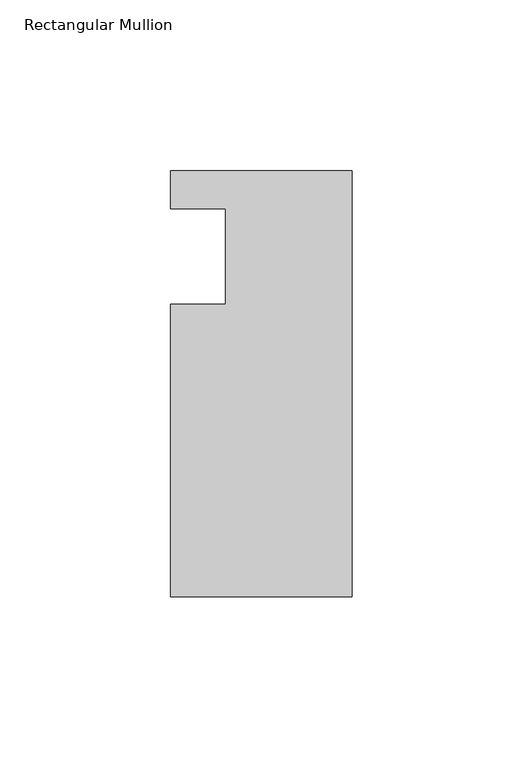
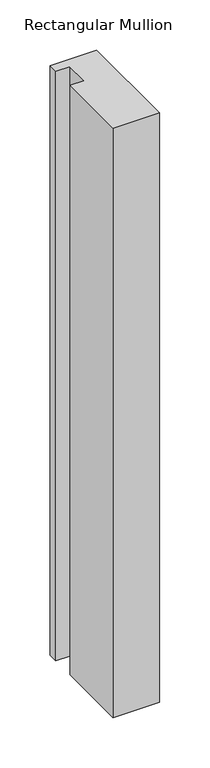
"""IFC4 building model written with IfcOpenShell, lengths in millimetres: member geometry, Rectangular Mullion."""

import ifcopenshell
import ifcopenshell.guid

model = None  # the IFC model being written
_history = None  # IfcOwnerHistory: only IFC2X3 demands one
_inside = {}  # id of a spatial element -> (the spatial element, [elements in it])
_under = {}  # id of a project, library or spatial element -> (it, [spatial elements below it])
_declared = {}  # id of a project -> (the project, [libraries it declares])
_typed = {}  # id of a type object -> (the type object, [elements of that type])
_made_of = {}  # id of a material, layer set ... -> (it, [elements and type objects made of it])


def new_model(schema):
    """Start an empty IFC model of exactly this schema.

    Asked for "IFC4X3", IfcOpenShell would pick the latest addendum, in which some entities
    have other attributes; the version numbers below select the first issue.
    IFC2X3 requires an IfcOwnerHistory on every rooted entity: one is made here for all.
    """
    global model, _history
    if schema == "IFC4X3":
        model = ifcopenshell.file(schema_version=(4, 3, 0, 0))
    else:
        model = ifcopenshell.file(schema=schema)
    _inside.clear()
    _under.clear()
    _declared.clear()
    _typed.clear()
    _made_of.clear()
    _history = None
    if model.schema == "IFC2X3":
        org = make("IfcOrganization", Name="unknown")
        user = make(
            "IfcPersonAndOrganization",
            ThePerson=make("IfcPerson", FamilyName="unknown"),
            TheOrganization=org,
        )
        app = make(
            "IfcApplication",
            ApplicationDeveloper=org,
            Version="unknown",
            ApplicationFullName="unknown",
            ApplicationIdentifier="unknown",
        )
        _history = make(
            "IfcOwnerHistory",
            OwningUser=user,
            OwningApplication=app,
            ChangeAction="ADDED",
            CreationDate=0,
        )
    return model


def make(cls, **values):
    """One entity of the class cls with the attributes given. An attribute that is None is left unset."""
    return model.create_entity(
        cls, **{name: value for name, value in values.items() if value is not None}
    )


def rooted(cls, **values):
    """An entity with a GlobalId (a new one), such as an element, a storey or a relation."""
    return make(cls, GlobalId=ifcopenshell.guid.new(), OwnerHistory=_history, **values)


def si_unit(unit_type, name, prefix=None):
    """IfcSIUnit, for example si_unit("LENGTHUNIT", "METRE", prefix="MILLI")."""
    return make("IfcSIUnit", UnitType=unit_type, Prefix=prefix, Name=name)


def assignment(units):
    """IfcUnitAssignment: the units of a project."""
    return None if units is None else make("IfcUnitAssignment", Units=units)


def point(xyz):
    """IfcCartesianPoint."""
    return None if xyz is None else make("IfcCartesianPoint", Coordinates=xyz)


def direction(xyz):
    """IfcDirection."""
    return None if xyz is None else make("IfcDirection", DirectionRatios=xyz)


def frame(location, z_axis=None, x_axis=None):
    """IfcAxis2Placement3D, a coordinate frame: its origin and axes. An axis left out is left unset."""
    return make(
        "IfcAxis2Placement3D",
        Location=point(location),
        Axis=direction(z_axis),
        RefDirection=direction(x_axis),
    )


def origin():
    """The frame at (0, 0, 0) with its axes left unset."""
    return frame((0.0, 0.0, 0.0))


def place(relative_to, where):
    """IfcLocalPlacement: puts the frame where relative to a parent placement (None: the world)."""
    return make(
        "IfcLocalPlacement", PlacementRelTo=relative_to, RelativePlacement=where
    )


def context(
    kind, dimensions, precision=None, world=None, true_north=None, identifier=None
):
    """IfcGeometricRepresentationContext, for example the 3D "Model" context."""
    return make(
        "IfcGeometricRepresentationContext",
        ContextIdentifier=identifier,
        ContextType=kind,
        CoordinateSpaceDimension=dimensions,
        Precision=precision,
        WorldCoordinateSystem=world,
        TrueNorth=true_north,
    )


def project(units=None, contexts=None):
    """IfcProject with its units and contexts."""
    return rooted(
        "IfcProject",
        Name="project",
        RepresentationContexts=contexts,
        UnitsInContext=assignment(units),
    )


def spatial(cls, under=None, at=None, **own):
    """A site, building, storey or space (cls), placed at a placement, below another one or the project."""
    s = rooted(cls, ObjectPlacement=at, **own)
    if under is not None:
        _under.setdefault(under.id(), (under, []))[1].append(s)
    return s


def polyline(points):
    """IfcPolyline through the points."""
    return make("IfcPolyline", Points=[point(p) for p in points])


def outline(outer, holes=None, kind="AREA"):
    """IfcArbitraryClosedProfileDef: a profile drawn as a closed curve; with holes, ...WithVoids."""
    if holes is None:
        return make("IfcArbitraryClosedProfileDef", ProfileType=kind, OuterCurve=outer)
    return make(
        "IfcArbitraryProfileDefWithVoids",
        ProfileType=kind,
        OuterCurve=outer,
        InnerCurves=holes,
    )


def extrude(swept, where, along, depth):
    """IfcExtrudedAreaSolid: the profile swept, set in the frame where, extruded along a direction by depth."""
    return make(
        "IfcExtrudedAreaSolid",
        SweptArea=swept,
        Position=where,
        ExtrudedDirection=direction(along),
        Depth=depth,
    )


def shape(context_of_items, identifier, shape_type, items):
    """IfcShapeRepresentation: the items that make up one representation, for example the "Body"."""
    return make(
        "IfcShapeRepresentation",
        ContextOfItems=context_of_items,
        RepresentationIdentifier=identifier,
        RepresentationType=shape_type,
        Items=items,
    )


def source(mapping_origin, context_of_items, identifier, shape_type, items):
    """IfcRepresentationMap: a shape defined once, which mapped items show again and again."""
    return make(
        "IfcRepresentationMap",
        MappingOrigin=mapping_origin,
        MappedRepresentation=shape(context_of_items, identifier, shape_type, items),
    )


def transform(
    local_origin,
    x_axis=None,
    y_axis=None,
    z_axis=None,
    scale=None,
    scale2=None,
    scale3=None,
    uniform=True,
):
    """IfcCartesianTransformationOperator3D, or its non-uniform kind. x_axis, y_axis, z_axis: its Axis1, 2, 3."""
    if uniform:
        return make(
            "IfcCartesianTransformationOperator3D",
            Axis1=direction(x_axis),
            Axis2=direction(y_axis),
            LocalOrigin=point(local_origin),
            Scale=scale,
            Axis3=direction(z_axis),
        )
    return make(
        "IfcCartesianTransformationOperator3DnonUniform",
        Axis1=direction(x_axis),
        Axis2=direction(y_axis),
        LocalOrigin=point(local_origin),
        Scale=scale,
        Axis3=direction(z_axis),
        Scale2=scale2,
        Scale3=scale3,
    )


def mapped(mapping_source, mapping_target):
    """IfcMappedItem: shows the shape of a source again, moved by a transform."""
    return make(
        "IfcMappedItem", MappingSource=mapping_source, MappingTarget=mapping_target
    )


def made_of(thing, what):
    """Note that an element or type object is made of a material, layer set ...; save() writes the relation."""
    if what is not None:
        _made_of.setdefault(what.id(), (what, []))[1].append(thing)
    return thing


def element(
    cls,
    number,
    at=None,
    inside=None,
    cuts=None,
    type_object=None,
    material=None,
    context=None,
    identifier="Body",
    shape_type=None,
    held_by="IfcProductDefinitionShape",
    body=None,
    shapes=None,
    **own,
):
    """One element of the class cls, such as IfcWall. Its Tag is "e" and its number.

    at: its placement. inside: the storey or other place that contains it. cuts: it is an
    opening in that element (IfcRelVoidsElement). A single representation is given by context,
    identifier, shape_type and body (its items); several are given by shapes. held_by: the class
    of the entity that holds the representations. save() writes the other relations.
    """
    e = rooted(cls, Tag="e%d" % number, ObjectPlacement=at, **own)
    if body is not None:
        shapes = [shape(context, identifier, shape_type, body)]
    if shapes is not None:
        e.Representation = make(held_by, Representations=shapes)
    if inside is not None:
        _inside.setdefault(inside.id(), (inside, []))[1].append(e)
    if cuts is not None:
        rooted(
            "IfcRelVoidsElement", RelatingBuildingElement=cuts, RelatedOpeningElement=e
        )
    if type_object is not None:
        _typed.setdefault(type_object.id(), (type_object, []))[1].append(e)
    return made_of(e, material)


def aggregate(whole, parts):
    """IfcRelAggregates: a whole, such as a stair, and the parts it consists of."""
    return rooted("IfcRelAggregates", RelatingObject=whole, RelatedObjects=parts)


def save(model, path):
    """Write the relations noted so far, then the file.

    IfcRelAggregates (storeys below a building ...), IfcRelContainedInSpatialStructure (elements
    in a storey), IfcRelDefinesByType, IfcRelAssociatesMaterial and IfcRelDeclares: one each for
    every whole, place, type object, material and project.
    """
    for whole, parts in _under.values():
        aggregate(whole, parts)
    for where, things in _inside.values():
        rooted(
            "IfcRelContainedInSpatialStructure",
            RelatedElements=things,
            RelatingStructure=where,
        )
    for kind, things in _typed.values():
        rooted("IfcRelDefinesByType", RelatedObjects=things, RelatingType=kind)
    for what, things in _made_of.values():
        rooted("IfcRelAssociatesMaterial", RelatedObjects=things, RelatingMaterial=what)
    for by, libraries in _declared.values():
        rooted("IfcRelDeclares", RelatingContext=by, RelatedDefinitions=libraries)
    model.write(path)


def rectangular_mullion_21dbd251(model_context):
    return source(origin(), model_context, "Body", "SweptSolid", [
        extrude(outline(polyline([(-37.0, 13.9999453), (-53.0, 13.9999453), (-53.0, 24.9999453), (0.0, 24.9999453), (0.0, -99.5000547), (-53.0, -99.5000547), (-53.0, -14.0000547), (-37.0, -14.0000547), (-37.0, 13.9999453)])), frame((0.0, 0.0, -713.0936625), z_axis=(0.0, 0.0, 1.0), x_axis=(1.0, 0.0, 0.0)), (0.0, 0.0, 1.0), 713.0936625),
    ])


if __name__ == "__main__":
    model = new_model("IFC4")
    model_context = context("Model", 3, world=origin())
    ifc_project = project(units=[si_unit("LENGTHUNIT", "METRE", prefix="MILLI")], contexts=[model_context])
    site = spatial("IfcSite", under=ifc_project)
    building = spatial("IfcBuilding", under=site)
    placement = place(None, origin())
    rectangular_mullion_shape = rectangular_mullion_21dbd251(model_context)
    element("IfcMember", 1, ObjectType="Rectangular Mullion", at=placement, inside=building, context=model_context, shape_type="MappedRepresentation", body=[
        mapped(rectangular_mullion_shape, transform((0.0, 0.0, 0.0), x_axis=(1.0, 0.0, 0.0), y_axis=(0.0, 1.0, 0.0), z_axis=(0.0, 0.0, 1.0))),
    ])
    save(model, "model.ifc")
